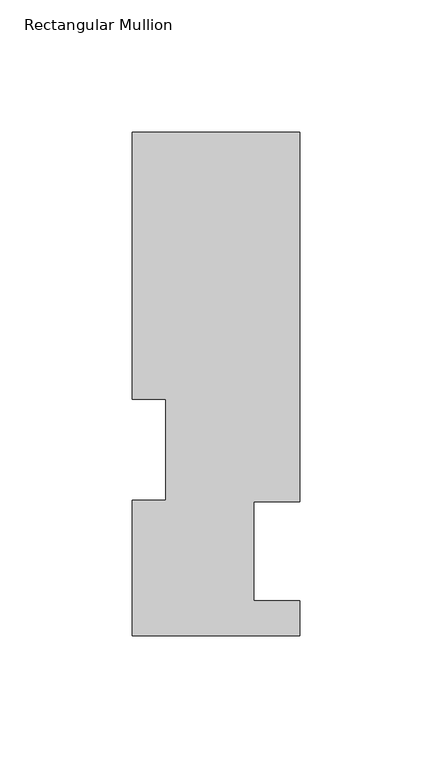
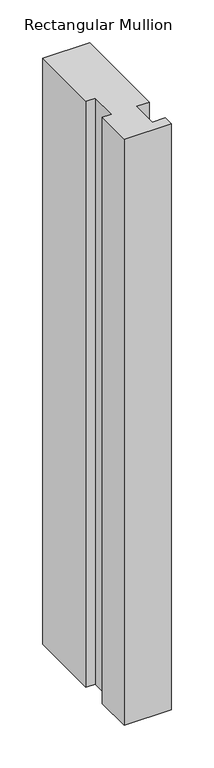
"""IFC4 building model written with IfcOpenShell, lengths in millimetres: member geometry, Rectangular Mullion."""

from ifc_helpers import new_model, si_unit, frame, origin, place, context, project, spatial, polyline, outline, extrude, source, transform, mapped, element, save


def rectangular_mullion_719d2aa0(model_context):
    return source(origin(), model_context, "Body", "SweptSolid", [
        extrude(outline(polyline([(-31.75, 190.7881313), (31.7500004, 190.7881313), (31.7500004, 50.8087294), (14.2748004, 50.8087294), (14.2748004, 13.3945312), (31.7500004, 13.3945312), (31.7500004, 0.2119312), (-31.7595098, 0.2119312), (-31.7595098, 51.4945315), (-19.05, 51.4945315), (-19.05, 89.5945313), (-31.75, 89.5945313), (-31.75, 190.7881313)])), frame((0.0, 0.0, -838.2000001), z_axis=(0.0, 0.0, 1.0), x_axis=(1.0, 0.0, 0.0)), (0.0, 0.0, 1.0), 838.2000001),
    ])


if __name__ == "__main__":
    model = new_model("IFC4")
    model_context = context("Model", 3, world=origin())
    ifc_project = project(units=[si_unit("LENGTHUNIT", "METRE", prefix="MILLI")], contexts=[model_context])
    site = spatial("IfcSite", under=ifc_project)
    building = spatial("IfcBuilding", under=site)
    placement = place(None, origin())
    rectangular_mullion_shape = rectangular_mullion_719d2aa0(model_context)
    element("IfcMember", 1, ObjectType="Rectangular Mullion", at=placement, inside=building, context=model_context, shape_type="MappedRepresentation", body=[
        mapped(rectangular_mullion_shape, transform((0.0, 0.0, 0.0), x_axis=(1.0, 0.0, 0.0), y_axis=(0.0, 1.0, 0.0), z_axis=(0.0, 0.0, 1.0))),
    ])
    save(model, "model.ifc")
